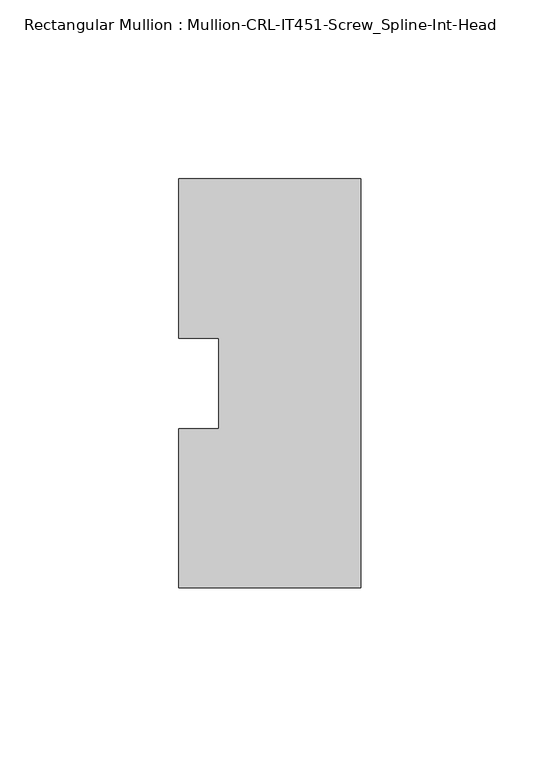
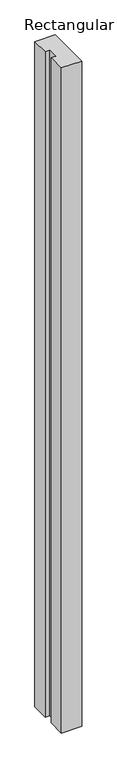
"""IFC4 building model written with IfcOpenShell, lengths in millimetres: member geometry, Rectangular Mullion : Mullion-CRL-IT451-Screw_Spline-Int-Head."""

from ifc_helpers import new_model, si_unit, frame, origin, place, context, project, spatial, polyline, outline, extrude, source, transform, mapped, element, save


def rectangular_mullion_mullion_crl_it451_screw_spline_int_head_da0f021c(model_context):
    return source(origin(), model_context, "Body", "SweptSolid", [
        extrude(outline(polyline([(0.0, -57.15), (-50.8, -57.15), (-50.8, -12.7), (-39.6875, -12.7), (-39.6875, 12.7), (-50.8, 12.7), (-50.8, 57.15), (0.0, 57.15), (0.0, -57.15)])), frame((0.0, 0.0, -1752.6), z_axis=(0.0, 0.0, 1.0), x_axis=(1.0, 0.0, 0.0)), (0.0, 0.0, 1.0), 1752.6),
    ])


if __name__ == "__main__":
    model = new_model("IFC4")
    model_context = context("Model", 3, world=origin())
    ifc_project = project(units=[si_unit("LENGTHUNIT", "METRE", prefix="MILLI")], contexts=[model_context])
    site = spatial("IfcSite", under=ifc_project)
    building = spatial("IfcBuilding", under=site)
    placement = place(None, origin())
    rectangular_mullion_mullion_crl_it451_screw_spline_int_head_shape = rectangular_mullion_mullion_crl_it451_screw_spline_int_head_da0f021c(model_context)
    element("IfcMember", 1, ObjectType="Rectangular Mullion : Mullion-CRL-IT451-Screw_Spline-Int-Head", at=placement, inside=building, context=model_context, shape_type="MappedRepresentation", body=[
        mapped(rectangular_mullion_mullion_crl_it451_screw_spline_int_head_shape, transform((0.0, 0.0, 0.0), x_axis=(1.0, 0.0, 0.0), y_axis=(0.0, 1.0, 0.0), z_axis=(0.0, 0.0, 1.0))),
    ])
    save(model, "model.ifc")
